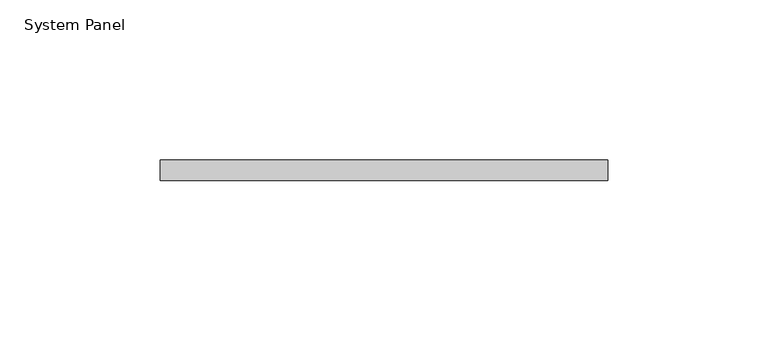
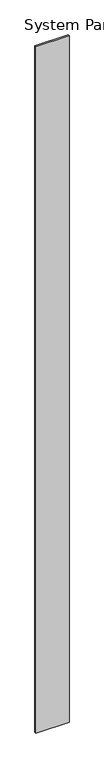
"""IFC4 building model written with IfcOpenShell, lengths in millimetres: plate geometry, System Panel."""

from ifc_helpers import new_model, si_unit, origin, origin_with_axes, place, context, project, spatial, polyline, outline, extrude, source, transform, mapped, element, save


def system_panel_915e8ce7(model_context):
    return source(origin(), model_context, "Body", "SweptSolid", [
        extrude(outline(polyline([(69.85, -6.35), (-69.85, -6.35), (-69.85, 0.0), (69.85, 0.0), (69.85, -6.35)])), origin_with_axes(), (0.0, 0.0, 1.0), 3048.0),
    ])


if __name__ == "__main__":
    model = new_model("IFC4")
    model_context = context("Model", 3, world=origin())
    ifc_project = project(units=[si_unit("LENGTHUNIT", "METRE", prefix="MILLI")], contexts=[model_context])
    site = spatial("IfcSite", under=ifc_project)
    building = spatial("IfcBuilding", under=site)
    placement = place(None, origin())
    system_panel_shape = system_panel_915e8ce7(model_context)
    element("IfcPlate", 1, ObjectType="System Panel", at=placement, inside=building, context=model_context, shape_type="MappedRepresentation", body=[
        mapped(system_panel_shape, transform((0.0, 0.0, 0.0), x_axis=(1.0, 0.0, 0.0), y_axis=(0.0, 1.0, 0.0), z_axis=(0.0, 0.0, 1.0))),
    ])
    save(model, "model.ifc")
